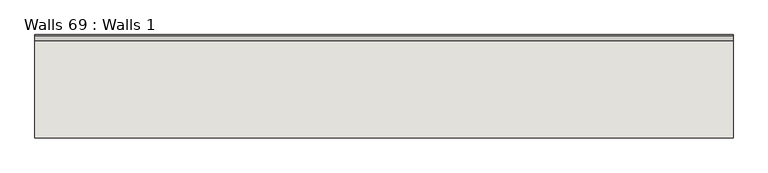
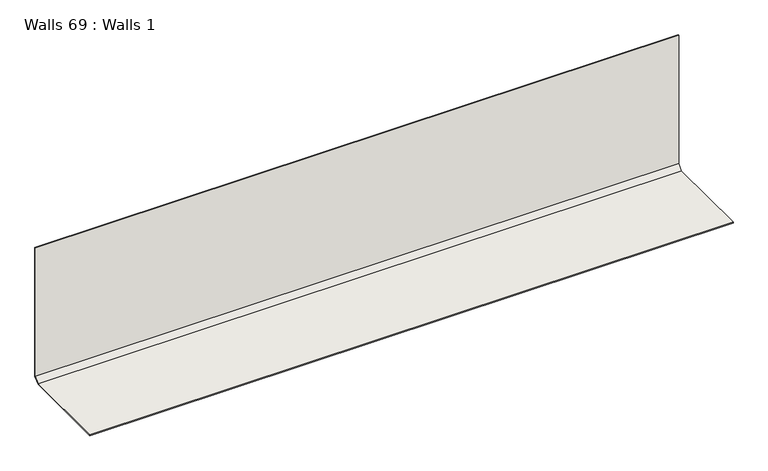
"""IFC4 building model written with IfcOpenShell, lengths in millimetres: wall geometry, Walls 69 : Walls 1."""

from ifc_helpers import new_model, si_unit, frame, origin, place, context, project, spatial, polyline, outline, extrude, source, transform, mapped, element, save


def walls_69_walls_1_2a0a096c(model_context):
    return source(origin(), model_context, "Body", "SweptSolid", [
        extrude(outline(polyline([(2112.8086759, 3.1732159), (2130.0005881, 20.3651281), (2130.0005881, 502.7360524), (2133.1755881, 502.7360524), (2133.1755881, 19.05), (2114.1255881, 0.0), (1794.6970439, 0.0), (1794.6970439, 3.1732159), (2112.8086759, 3.1732159)])), frame((548.4976426, 0.0, 0.0), z_axis=(1.0, 0.0, 0.0), x_axis=(0.0, 1.0, 0.0)), (0.0, 0.0, 1.0), 2286.0),
    ])


if __name__ == "__main__":
    model = new_model("IFC4")
    model_context = context("Model", 3, world=origin())
    ifc_project = project(units=[si_unit("LENGTHUNIT", "METRE", prefix="MILLI")], contexts=[model_context])
    site = spatial("IfcSite", under=ifc_project)
    building = spatial("IfcBuilding", under=site)
    placement = place(None, origin())
    walls_69_walls_1_shape = walls_69_walls_1_2a0a096c(model_context)
    element("IfcWall", 1, ObjectType="Walls 69 : Walls 1", at=placement, inside=building, context=model_context, shape_type="MappedRepresentation", body=[
        mapped(walls_69_walls_1_shape, transform((0.0, 0.0, 0.0), x_axis=(1.0, 0.0, 0.0), y_axis=(0.0, 1.0, 0.0), z_axis=(0.0, 0.0, 1.0))),
    ])
    save(model, "model.ifc")
